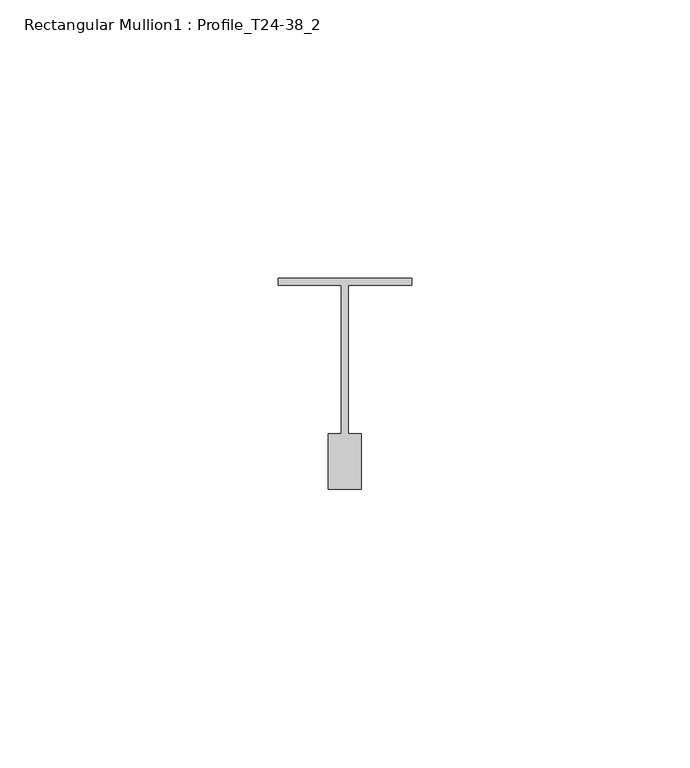
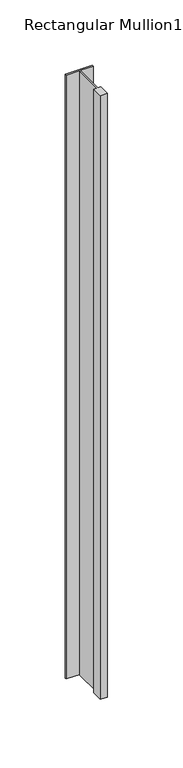
"""IFC4 building model written with IfcOpenShell, lengths in millimetres: member geometry, Rectangular Mullion1 : Profile_T24-38_2."""

from ifc_helpers import new_model, si_unit, frame, origin, place, context, project, spatial, polyline, outline, extrude, source, transform, mapped, element, save


def rectangular_mullion1_profile_t24_38_2_fa848fe6(model_context):
    return source(origin(), model_context, "Body", "SweptSolid", [
        extrude(outline(polyline([(-12.0, -0.5), (12.0, -0.5), (12.0, -1.75), (0.6, -1.75), (0.6, -28.5), (3.0, -28.5), (3.0, -38.5), (-3.0, -38.5), (-3.0, -28.5), (-0.6, -28.5), (-0.6, -1.75), (-12.0, -1.75), (-12.0, -0.5)])), frame((0.0, 0.0, -564.0), z_axis=(0.0, 0.0, 1.0), x_axis=(1.0, 0.0, 0.0)), (0.0, 0.0, 1.0), 564.0),
    ])


if __name__ == "__main__":
    model = new_model("IFC4")
    model_context = context("Model", 3, world=origin())
    ifc_project = project(units=[si_unit("LENGTHUNIT", "METRE", prefix="MILLI")], contexts=[model_context])
    site = spatial("IfcSite", under=ifc_project)
    building = spatial("IfcBuilding", under=site)
    placement = place(None, origin())
    rectangular_mullion1_profile_t24_38_2_shape = rectangular_mullion1_profile_t24_38_2_fa848fe6(model_context)
    element("IfcMember", 1, ObjectType="Rectangular Mullion1 : Profile_T24-38_2", at=placement, inside=building, context=model_context, shape_type="MappedRepresentation", body=[
        mapped(rectangular_mullion1_profile_t24_38_2_shape, transform((0.0, 0.0, 0.0), x_axis=(1.0, 0.0, 0.0), y_axis=(0.0, 1.0, 0.0), z_axis=(0.0, 0.0, 1.0))),
    ])
    save(model, "model.ifc")
